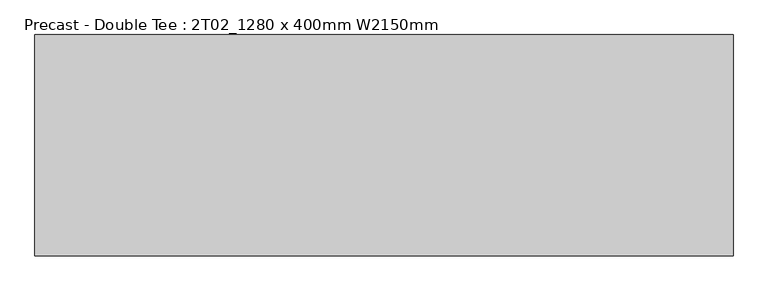
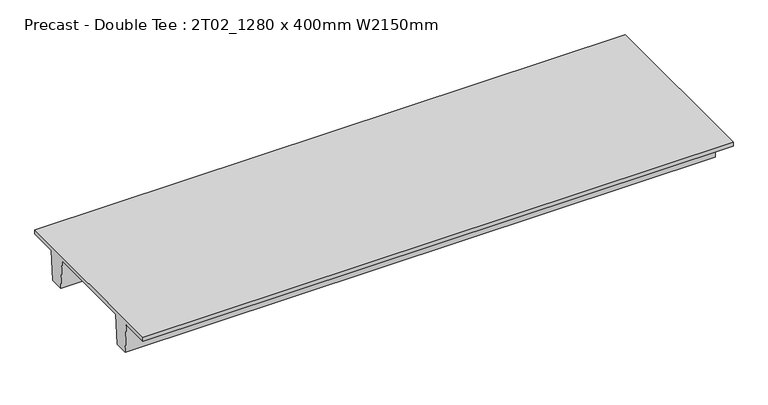
"""IFC4 building model written with IfcOpenShell, lengths in millimetres: beam geometry, Precast - Double Tee : 2T02_1280 x 400mm W2150mm."""

import ifcopenshell
import ifcopenshell.guid

model = None  # the IFC model being written
_history = None  # IfcOwnerHistory: only IFC2X3 demands one
_inside = {}  # id of a spatial element -> (the spatial element, [elements in it])
_under = {}  # id of a project, library or spatial element -> (it, [spatial elements below it])
_declared = {}  # id of a project -> (the project, [libraries it declares])
_typed = {}  # id of a type object -> (the type object, [elements of that type])
_made_of = {}  # id of a material, layer set ... -> (it, [elements and type objects made of it])


def new_model(schema):
    """Start an empty IFC model of exactly this schema.

    Asked for "IFC4X3", IfcOpenShell would pick the latest addendum, in which some entities
    have other attributes; the version numbers below select the first issue.
    IFC2X3 requires an IfcOwnerHistory on every rooted entity: one is made here for all.
    """
    global model, _history
    if schema == "IFC4X3":
        model = ifcopenshell.file(schema_version=(4, 3, 0, 0))
    else:
        model = ifcopenshell.file(schema=schema)
    _inside.clear()
    _under.clear()
    _declared.clear()
    _typed.clear()
    _made_of.clear()
    _history = None
    if model.schema == "IFC2X3":
        org = make("IfcOrganization", Name="unknown")
        user = make(
            "IfcPersonAndOrganization",
            ThePerson=make("IfcPerson", FamilyName="unknown"),
            TheOrganization=org,
        )
        app = make(
            "IfcApplication",
            ApplicationDeveloper=org,
            Version="unknown",
            ApplicationFullName="unknown",
            ApplicationIdentifier="unknown",
        )
        _history = make(
            "IfcOwnerHistory",
            OwningUser=user,
            OwningApplication=app,
            ChangeAction="ADDED",
            CreationDate=0,
        )
    return model


def make(cls, **values):
    """One entity of the class cls with the attributes given. An attribute that is None is left unset."""
    return model.create_entity(
        cls, **{name: value for name, value in values.items() if value is not None}
    )


def rooted(cls, **values):
    """An entity with a GlobalId (a new one), such as an element, a storey or a relation."""
    return make(cls, GlobalId=ifcopenshell.guid.new(), OwnerHistory=_history, **values)


def si_unit(unit_type, name, prefix=None):
    """IfcSIUnit, for example si_unit("LENGTHUNIT", "METRE", prefix="MILLI")."""
    return make("IfcSIUnit", UnitType=unit_type, Prefix=prefix, Name=name)


def assignment(units):
    """IfcUnitAssignment: the units of a project."""
    return None if units is None else make("IfcUnitAssignment", Units=units)


def point(xyz):
    """IfcCartesianPoint."""
    return None if xyz is None else make("IfcCartesianPoint", Coordinates=xyz)


def direction(xyz):
    """IfcDirection."""
    return None if xyz is None else make("IfcDirection", DirectionRatios=xyz)


def frame(location, z_axis=None, x_axis=None):
    """IfcAxis2Placement3D, a coordinate frame: its origin and axes. An axis left out is left unset."""
    return make(
        "IfcAxis2Placement3D",
        Location=point(location),
        Axis=direction(z_axis),
        RefDirection=direction(x_axis),
    )


def origin():
    """The frame at (0, 0, 0) with its axes left unset."""
    return frame((0.0, 0.0, 0.0))


def place(relative_to, where):
    """IfcLocalPlacement: puts the frame where relative to a parent placement (None: the world)."""
    return make(
        "IfcLocalPlacement", PlacementRelTo=relative_to, RelativePlacement=where
    )


def context(
    kind, dimensions, precision=None, world=None, true_north=None, identifier=None
):
    """IfcGeometricRepresentationContext, for example the 3D "Model" context."""
    return make(
        "IfcGeometricRepresentationContext",
        ContextIdentifier=identifier,
        ContextType=kind,
        CoordinateSpaceDimension=dimensions,
        Precision=precision,
        WorldCoordinateSystem=world,
        TrueNorth=true_north,
    )


def project(units=None, contexts=None):
    """IfcProject with its units and contexts."""
    return rooted(
        "IfcProject",
        Name="project",
        RepresentationContexts=contexts,
        UnitsInContext=assignment(units),
    )


def spatial(cls, under=None, at=None, **own):
    """A site, building, storey or space (cls), placed at a placement, below another one or the project."""
    s = rooted(cls, ObjectPlacement=at, **own)
    if under is not None:
        _under.setdefault(under.id(), (under, []))[1].append(s)
    return s


def polyline(points):
    """IfcPolyline through the points."""
    return make("IfcPolyline", Points=[point(p) for p in points])


def outline(outer, holes=None, kind="AREA"):
    """IfcArbitraryClosedProfileDef: a profile drawn as a closed curve; with holes, ...WithVoids."""
    if holes is None:
        return make("IfcArbitraryClosedProfileDef", ProfileType=kind, OuterCurve=outer)
    return make(
        "IfcArbitraryProfileDefWithVoids",
        ProfileType=kind,
        OuterCurve=outer,
        InnerCurves=holes,
    )


def extrude(swept, where, along, depth):
    """IfcExtrudedAreaSolid: the profile swept, set in the frame where, extruded along a direction by depth."""
    return make(
        "IfcExtrudedAreaSolid",
        SweptArea=swept,
        Position=where,
        ExtrudedDirection=direction(along),
        Depth=depth,
    )


def shape(context_of_items, identifier, shape_type, items):
    """IfcShapeRepresentation: the items that make up one representation, for example the "Body"."""
    return make(
        "IfcShapeRepresentation",
        ContextOfItems=context_of_items,
        RepresentationIdentifier=identifier,
        RepresentationType=shape_type,
        Items=items,
    )


def source(mapping_origin, context_of_items, identifier, shape_type, items):
    """IfcRepresentationMap: a shape defined once, which mapped items show again and again."""
    return make(
        "IfcRepresentationMap",
        MappingOrigin=mapping_origin,
        MappedRepresentation=shape(context_of_items, identifier, shape_type, items),
    )


def transform(
    local_origin,
    x_axis=None,
    y_axis=None,
    z_axis=None,
    scale=None,
    scale2=None,
    scale3=None,
    uniform=True,
):
    """IfcCartesianTransformationOperator3D, or its non-uniform kind. x_axis, y_axis, z_axis: its Axis1, 2, 3."""
    if uniform:
        return make(
            "IfcCartesianTransformationOperator3D",
            Axis1=direction(x_axis),
            Axis2=direction(y_axis),
            LocalOrigin=point(local_origin),
            Scale=scale,
            Axis3=direction(z_axis),
        )
    return make(
        "IfcCartesianTransformationOperator3DnonUniform",
        Axis1=direction(x_axis),
        Axis2=direction(y_axis),
        LocalOrigin=point(local_origin),
        Scale=scale,
        Axis3=direction(z_axis),
        Scale2=scale2,
        Scale3=scale3,
    )


def mapped(mapping_source, mapping_target):
    """IfcMappedItem: shows the shape of a source again, moved by a transform."""
    return make(
        "IfcMappedItem", MappingSource=mapping_source, MappingTarget=mapping_target
    )


def made_of(thing, what):
    """Note that an element or type object is made of a material, layer set ...; save() writes the relation."""
    if what is not None:
        _made_of.setdefault(what.id(), (what, []))[1].append(thing)
    return thing


def element(
    cls,
    number,
    at=None,
    inside=None,
    cuts=None,
    type_object=None,
    material=None,
    context=None,
    identifier="Body",
    shape_type=None,
    held_by="IfcProductDefinitionShape",
    body=None,
    shapes=None,
    **own,
):
    """One element of the class cls, such as IfcWall. Its Tag is "e" and its number.

    at: its placement. inside: the storey or other place that contains it. cuts: it is an
    opening in that element (IfcRelVoidsElement). A single representation is given by context,
    identifier, shape_type and body (its items); several are given by shapes. held_by: the class
    of the entity that holds the representations. save() writes the other relations.
    """
    e = rooted(cls, Tag="e%d" % number, ObjectPlacement=at, **own)
    if body is not None:
        shapes = [shape(context, identifier, shape_type, body)]
    if shapes is not None:
        e.Representation = make(held_by, Representations=shapes)
    if inside is not None:
        _inside.setdefault(inside.id(), (inside, []))[1].append(e)
    if cuts is not None:
        rooted(
            "IfcRelVoidsElement", RelatingBuildingElement=cuts, RelatedOpeningElement=e
        )
    if type_object is not None:
        _typed.setdefault(type_object.id(), (type_object, []))[1].append(e)
    return made_of(e, material)


def aggregate(whole, parts):
    """IfcRelAggregates: a whole, such as a stair, and the parts it consists of."""
    return rooted("IfcRelAggregates", RelatingObject=whole, RelatedObjects=parts)


def save(model, path):
    """Write the relations noted so far, then the file.

    IfcRelAggregates (storeys below a building ...), IfcRelContainedInSpatialStructure (elements
    in a storey), IfcRelDefinesByType, IfcRelAssociatesMaterial and IfcRelDeclares: one each for
    every whole, place, type object, material and project.
    """
    for whole, parts in _under.values():
        aggregate(whole, parts)
    for where, things in _inside.values():
        rooted(
            "IfcRelContainedInSpatialStructure",
            RelatedElements=things,
            RelatingStructure=where,
        )
    for kind, things in _typed.values():
        rooted("IfcRelDefinesByType", RelatedObjects=things, RelatingType=kind)
    for what, things in _made_of.values():
        rooted("IfcRelAssociatesMaterial", RelatedObjects=things, RelatingMaterial=what)
    for by, libraries in _declared.values():
        rooted("IfcRelDeclares", RelatingContext=by, RelatedDefinitions=libraries)
    model.write(path)


def precast_double_tee_2t02_1280_x_400mm_w2150mm_057dc7b0(model_context):
    return source(origin(), model_context, "Body", "SweptSolid", [
        extrude(outline(polyline([(1075.0, 200.0), (1075.0, 150.0), (745.4, 150.0), (720.0, -200.0), (560.0, -200.0), (534.6, 150.0), (-534.6, 150.0), (-560.0, -200.0), (-720.0, -200.0), (-745.4, 150.0), (-1075.0, 150.0), (-1075.0, 200.0), (1075.0, 200.0)])), frame((-3393.0, 0.0, 0.0), z_axis=(1.0, 0.0, 0.0), x_axis=(0.0, 1.0, 0.0)), (0.0, 0.0, 1.0), 6786.0),
    ])


if __name__ == "__main__":
    model = new_model("IFC4")
    model_context = context("Model", 3, world=origin())
    ifc_project = project(units=[si_unit("LENGTHUNIT", "METRE", prefix="MILLI")], contexts=[model_context])
    site = spatial("IfcSite", under=ifc_project)
    building = spatial("IfcBuilding", under=site)
    placement = place(None, origin())
    precast_double_tee_2t02_1280_x_400mm_w2150mm_shape = precast_double_tee_2t02_1280_x_400mm_w2150mm_057dc7b0(model_context)
    element("IfcBeam", 1, ObjectType="Precast - Double Tee : 2T02_1280 x 400mm W2150mm", at=placement, inside=building, context=model_context, shape_type="MappedRepresentation", body=[
        mapped(precast_double_tee_2t02_1280_x_400mm_w2150mm_shape, transform((0.0, 0.0, 0.0), x_axis=(1.0, 0.0, 0.0), y_axis=(0.0, 1.0, 0.0), z_axis=(0.0, 0.0, 1.0))),
    ])
    save(model, "model.ifc")
